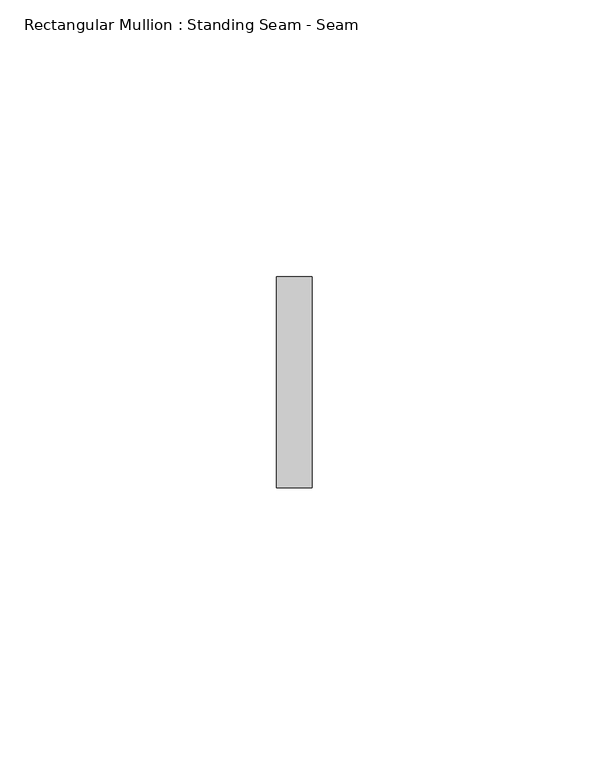
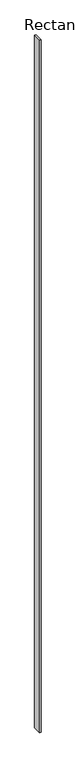
"""IFC4 building model written with IfcOpenShell, lengths in millimetres: member geometry, Rectangular Mullion : Standing Seam - Seam."""

from ifc_helpers import new_model, si_unit, frame, origin, place, context, project, spatial, polyline, outline, extrude, source, transform, mapped, element, save


def rectangular_mullion_standing_seam_seam_366dd01c(model_context):
    return source(origin(), model_context, "Body", "SweptSolid", [
        extrude(outline(polyline([(3.175, 41.275), (3.175, 3.175), (-3.175, 3.175), (-3.175, 41.275), (3.175, 41.275)])), frame((0.0, 0.0, -3259.6691567), z_axis=(0.0, 0.0, 1.0), x_axis=(1.0, 0.0, 0.0)), (0.0, 0.0, 1.0), 3259.6691567),
    ])


if __name__ == "__main__":
    model = new_model("IFC4")
    model_context = context("Model", 3, world=origin())
    ifc_project = project(units=[si_unit("LENGTHUNIT", "METRE", prefix="MILLI")], contexts=[model_context])
    site = spatial("IfcSite", under=ifc_project)
    building = spatial("IfcBuilding", under=site)
    placement = place(None, origin())
    rectangular_mullion_standing_seam_seam_shape = rectangular_mullion_standing_seam_seam_366dd01c(model_context)
    element("IfcMember", 1, ObjectType="Rectangular Mullion : Standing Seam - Seam", at=placement, inside=building, context=model_context, shape_type="MappedRepresentation", body=[
        mapped(rectangular_mullion_standing_seam_seam_shape, transform((0.0, 0.0, 0.0), x_axis=(1.0, 0.0, 0.0), y_axis=(0.0, 1.0, 0.0), z_axis=(0.0, 0.0, 1.0))),
    ])
    save(model, "model.ifc")
